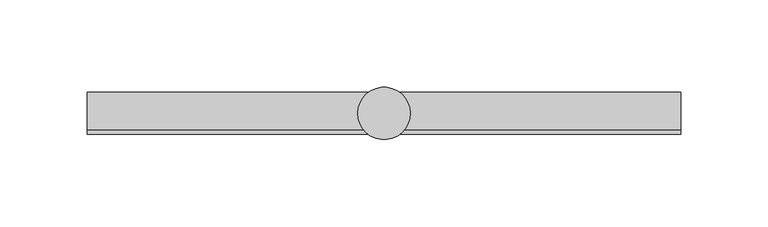
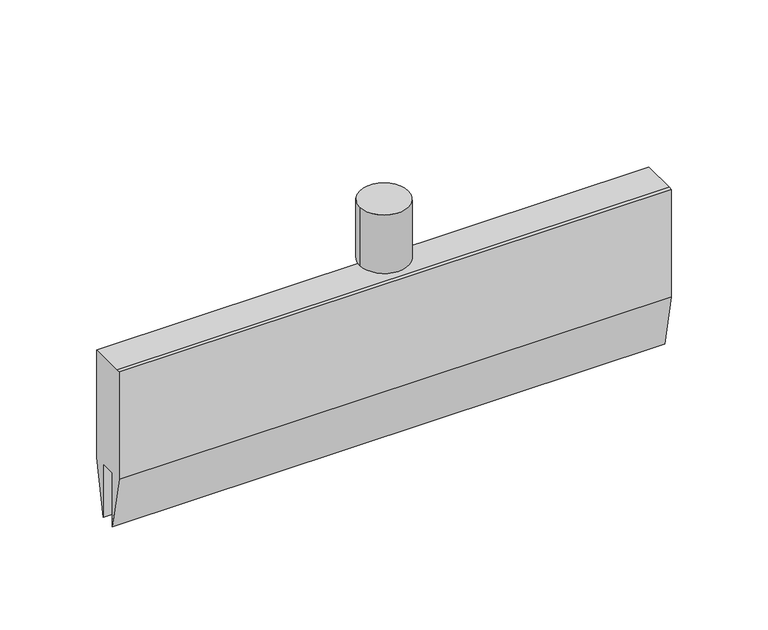
"""IFC4 building model written with IfcOpenShell, lengths in millimetres: proxy geometry."""

import ifcopenshell
import ifcopenshell.guid

model = None  # the IFC model being written
_history = None  # IfcOwnerHistory: only IFC2X3 demands one
_inside = {}  # id of a spatial element -> (the spatial element, [elements in it])
_under = {}  # id of a project, library or spatial element -> (it, [spatial elements below it])
_declared = {}  # id of a project -> (the project, [libraries it declares])
_typed = {}  # id of a type object -> (the type object, [elements of that type])
_made_of = {}  # id of a material, layer set ... -> (it, [elements and type objects made of it])


def new_model(schema):
    """Start an empty IFC model of exactly this schema.

    Asked for "IFC4X3", IfcOpenShell would pick the latest addendum, in which some entities
    have other attributes; the version numbers below select the first issue.
    IFC2X3 requires an IfcOwnerHistory on every rooted entity: one is made here for all.
    """
    global model, _history
    if schema == "IFC4X3":
        model = ifcopenshell.file(schema_version=(4, 3, 0, 0))
    else:
        model = ifcopenshell.file(schema=schema)
    _inside.clear()
    _under.clear()
    _declared.clear()
    _typed.clear()
    _made_of.clear()
    _history = None
    if model.schema == "IFC2X3":
        org = make("IfcOrganization", Name="unknown")
        user = make(
            "IfcPersonAndOrganization",
            ThePerson=make("IfcPerson", FamilyName="unknown"),
            TheOrganization=org,
        )
        app = make(
            "IfcApplication",
            ApplicationDeveloper=org,
            Version="unknown",
            ApplicationFullName="unknown",
            ApplicationIdentifier="unknown",
        )
        _history = make(
            "IfcOwnerHistory",
            OwningUser=user,
            OwningApplication=app,
            ChangeAction="ADDED",
            CreationDate=0,
        )
    return model


def make(cls, **values):
    """One entity of the class cls with the attributes given. An attribute that is None is left unset."""
    return model.create_entity(
        cls, **{name: value for name, value in values.items() if value is not None}
    )


def rooted(cls, **values):
    """An entity with a GlobalId (a new one), such as an element, a storey or a relation."""
    return make(cls, GlobalId=ifcopenshell.guid.new(), OwnerHistory=_history, **values)


def si_unit(unit_type, name, prefix=None):
    """IfcSIUnit, for example si_unit("LENGTHUNIT", "METRE", prefix="MILLI")."""
    return make("IfcSIUnit", UnitType=unit_type, Prefix=prefix, Name=name)


def assignment(units):
    """IfcUnitAssignment: the units of a project."""
    return None if units is None else make("IfcUnitAssignment", Units=units)


def point(xyz):
    """IfcCartesianPoint."""
    return None if xyz is None else make("IfcCartesianPoint", Coordinates=xyz)


def direction(xyz):
    """IfcDirection."""
    return None if xyz is None else make("IfcDirection", DirectionRatios=xyz)


def frame(location, z_axis=None, x_axis=None):
    """IfcAxis2Placement3D, a coordinate frame: its origin and axes. An axis left out is left unset."""
    return make(
        "IfcAxis2Placement3D",
        Location=point(location),
        Axis=direction(z_axis),
        RefDirection=direction(x_axis),
    )


def frame_2d(location, x_axis=None):
    """IfcAxis2Placement2D, a coordinate frame in the plane: its origin and x axis."""
    return make(
        "IfcAxis2Placement2D", Location=point(location), RefDirection=direction(x_axis)
    )


def origin():
    """The frame at (0, 0, 0) with its axes left unset."""
    return frame((0.0, 0.0, 0.0))


def origin_2d():
    """The frame at (0, 0) in the plane with its x axis left unset."""
    return frame_2d((0.0, 0.0))


def place(relative_to, where):
    """IfcLocalPlacement: puts the frame where relative to a parent placement (None: the world)."""
    return make(
        "IfcLocalPlacement", PlacementRelTo=relative_to, RelativePlacement=where
    )


def context(
    kind, dimensions, precision=None, world=None, true_north=None, identifier=None
):
    """IfcGeometricRepresentationContext, for example the 3D "Model" context."""
    return make(
        "IfcGeometricRepresentationContext",
        ContextIdentifier=identifier,
        ContextType=kind,
        CoordinateSpaceDimension=dimensions,
        Precision=precision,
        WorldCoordinateSystem=world,
        TrueNorth=true_north,
    )


def project(units=None, contexts=None):
    """IfcProject with its units and contexts."""
    return rooted(
        "IfcProject",
        Name="project",
        RepresentationContexts=contexts,
        UnitsInContext=assignment(units),
    )


def spatial(cls, under=None, at=None, **own):
    """A site, building, storey or space (cls), placed at a placement, below another one or the project."""
    s = rooted(cls, ObjectPlacement=at, **own)
    if under is not None:
        _under.setdefault(under.id(), (under, []))[1].append(s)
    return s


def polyline(points):
    """IfcPolyline through the points."""
    return make("IfcPolyline", Points=[point(p) for p in points])


def circle_curve(where, radius):
    """IfcCircle in the frame where."""
    return make("IfcCircle", Position=where, Radius=radius)


def trimmed(basis, trim1, trim2, sense, master):
    """IfcTrimmedCurve: the piece of a basis curve between two trims."""
    return make(
        "IfcTrimmedCurve",
        BasisCurve=basis,
        Trim1=trim1,
        Trim2=trim2,
        SenseAgreement=sense,
        MasterRepresentation=master,
    )


def segment(curve, same_sense, transition):
    """IfcCompositeCurveSegment."""
    return make(
        "IfcCompositeCurveSegment",
        Transition=transition,
        SameSense=same_sense,
        ParentCurve=curve,
    )


def composite_curve(segments, self_intersect=None):
    """IfcCompositeCurve: segments joined end to end."""
    return make("IfcCompositeCurve", Segments=segments, SelfIntersect=self_intersect)


def outline(outer, holes=None, kind="AREA"):
    """IfcArbitraryClosedProfileDef: a profile drawn as a closed curve; with holes, ...WithVoids."""
    if holes is None:
        return make("IfcArbitraryClosedProfileDef", ProfileType=kind, OuterCurve=outer)
    return make(
        "IfcArbitraryProfileDefWithVoids",
        ProfileType=kind,
        OuterCurve=outer,
        InnerCurves=holes,
    )


def extrude(swept, where, along, depth):
    """IfcExtrudedAreaSolid: the profile swept, set in the frame where, extruded along a direction by depth."""
    return make(
        "IfcExtrudedAreaSolid",
        SweptArea=swept,
        Position=where,
        ExtrudedDirection=direction(along),
        Depth=depth,
    )


def shape(context_of_items, identifier, shape_type, items):
    """IfcShapeRepresentation: the items that make up one representation, for example the "Body"."""
    return make(
        "IfcShapeRepresentation",
        ContextOfItems=context_of_items,
        RepresentationIdentifier=identifier,
        RepresentationType=shape_type,
        Items=items,
    )


def source(mapping_origin, context_of_items, identifier, shape_type, items):
    """IfcRepresentationMap: a shape defined once, which mapped items show again and again."""
    return make(
        "IfcRepresentationMap",
        MappingOrigin=mapping_origin,
        MappedRepresentation=shape(context_of_items, identifier, shape_type, items),
    )


def transform(
    local_origin,
    x_axis=None,
    y_axis=None,
    z_axis=None,
    scale=None,
    scale2=None,
    scale3=None,
    uniform=True,
):
    """IfcCartesianTransformationOperator3D, or its non-uniform kind. x_axis, y_axis, z_axis: its Axis1, 2, 3."""
    if uniform:
        return make(
            "IfcCartesianTransformationOperator3D",
            Axis1=direction(x_axis),
            Axis2=direction(y_axis),
            LocalOrigin=point(local_origin),
            Scale=scale,
            Axis3=direction(z_axis),
        )
    return make(
        "IfcCartesianTransformationOperator3DnonUniform",
        Axis1=direction(x_axis),
        Axis2=direction(y_axis),
        LocalOrigin=point(local_origin),
        Scale=scale,
        Axis3=direction(z_axis),
        Scale2=scale2,
        Scale3=scale3,
    )


def mapped(mapping_source, mapping_target):
    """IfcMappedItem: shows the shape of a source again, moved by a transform."""
    return make(
        "IfcMappedItem", MappingSource=mapping_source, MappingTarget=mapping_target
    )


def made_of(thing, what):
    """Note that an element or type object is made of a material, layer set ...; save() writes the relation."""
    if what is not None:
        _made_of.setdefault(what.id(), (what, []))[1].append(thing)
    return thing


def element(
    cls,
    number,
    at=None,
    inside=None,
    cuts=None,
    type_object=None,
    material=None,
    context=None,
    identifier="Body",
    shape_type=None,
    held_by="IfcProductDefinitionShape",
    body=None,
    shapes=None,
    **own,
):
    """One element of the class cls, such as IfcWall. Its Tag is "e" and its number.

    at: its placement. inside: the storey or other place that contains it. cuts: it is an
    opening in that element (IfcRelVoidsElement). A single representation is given by context,
    identifier, shape_type and body (its items); several are given by shapes. held_by: the class
    of the entity that holds the representations. save() writes the other relations.
    """
    e = rooted(cls, Tag="e%d" % number, ObjectPlacement=at, **own)
    if body is not None:
        shapes = [shape(context, identifier, shape_type, body)]
    if shapes is not None:
        e.Representation = make(held_by, Representations=shapes)
    if inside is not None:
        _inside.setdefault(inside.id(), (inside, []))[1].append(e)
    if cuts is not None:
        rooted(
            "IfcRelVoidsElement", RelatingBuildingElement=cuts, RelatedOpeningElement=e
        )
    if type_object is not None:
        _typed.setdefault(type_object.id(), (type_object, []))[1].append(e)
    return made_of(e, material)


def aggregate(whole, parts):
    """IfcRelAggregates: a whole, such as a stair, and the parts it consists of."""
    return rooted("IfcRelAggregates", RelatingObject=whole, RelatedObjects=parts)


def save(model, path):
    """Write the relations noted so far, then the file.

    IfcRelAggregates (storeys below a building ...), IfcRelContainedInSpatialStructure (elements
    in a storey), IfcRelDefinesByType, IfcRelAssociatesMaterial and IfcRelDeclares: one each for
    every whole, place, type object, material and project.
    """
    for whole, parts in _under.values():
        aggregate(whole, parts)
    for where, things in _inside.values():
        rooted(
            "IfcRelContainedInSpatialStructure",
            RelatedElements=things,
            RelatingStructure=where,
        )
    for kind, things in _typed.values():
        rooted("IfcRelDefinesByType", RelatedObjects=things, RelatingType=kind)
    for what, things in _made_of.values():
        rooted("IfcRelAssociatesMaterial", RelatedObjects=things, RelatingMaterial=what)
    for by, libraries in _declared.values():
        rooted("IfcRelDeclares", RelatingContext=by, RelatedDefinitions=libraries)
    model.write(path)


def specialty_equipment_5cf8ad20(model_context):
    return source(origin(), model_context, "Body", "SweptSolid", [
        extrude(outline(polyline([(12.0, 49.0), (12.0, -21.0), (5.0, -56.0), (5.0, -21.0), (-5.0, -21.0), (-5.0, -56.0), (-12.0, -21.0), (-12.0, 49.0), (-9.692747, 49.0), (12.0, 49.0)])), frame((-170.1111111, 0.0, 0.0), z_axis=(1.0, 0.0, 0.0), x_axis=(0.0, 1.0, 0.0)), (0.0, 0.0, 1.0), 340.2222222),
        extrude(outline(composite_curve([segment(trimmed(circle_curve(origin_2d(), 15.0), [point((-15.0, 0.0))], [point((15.0, 0.0))], False, "CARTESIAN"), True, "CONTINUOUS"), segment(trimmed(circle_curve(origin_2d(), 15.0), [point((15.0, 0.0))], [point((-15.0, 0.0))], False, "CARTESIAN"), True, "CONTINUOUS")], self_intersect=False)), frame((0.0, 0.0, 57.0), z_axis=(0.0, 0.0, 1.0), x_axis=(1.0, 0.0, 0.0)), (0.0, 0.0, 1.0), 38.0),
    ])


if __name__ == "__main__":
    model = new_model("IFC4")
    model_context = context("Model", 3, world=origin())
    ifc_project = project(units=[si_unit("LENGTHUNIT", "METRE", prefix="MILLI")], contexts=[model_context])
    site = spatial("IfcSite", under=ifc_project)
    building = spatial("IfcBuilding", under=site)
    placement = place(None, origin())
    specialty_equipment_shape = specialty_equipment_5cf8ad20(model_context)
    element("IfcBuildingElementProxy", 1, Name="Specialty Equipment", at=placement, inside=building, context=model_context, shape_type="MappedRepresentation", body=[
        mapped(specialty_equipment_shape, transform((0.0, 0.0, 0.0), x_axis=(1.0, 0.0, 0.0), y_axis=(0.0, 1.0, 0.0), z_axis=(0.0, 0.0, 1.0))),
    ])
    save(model, "model.ifc")
